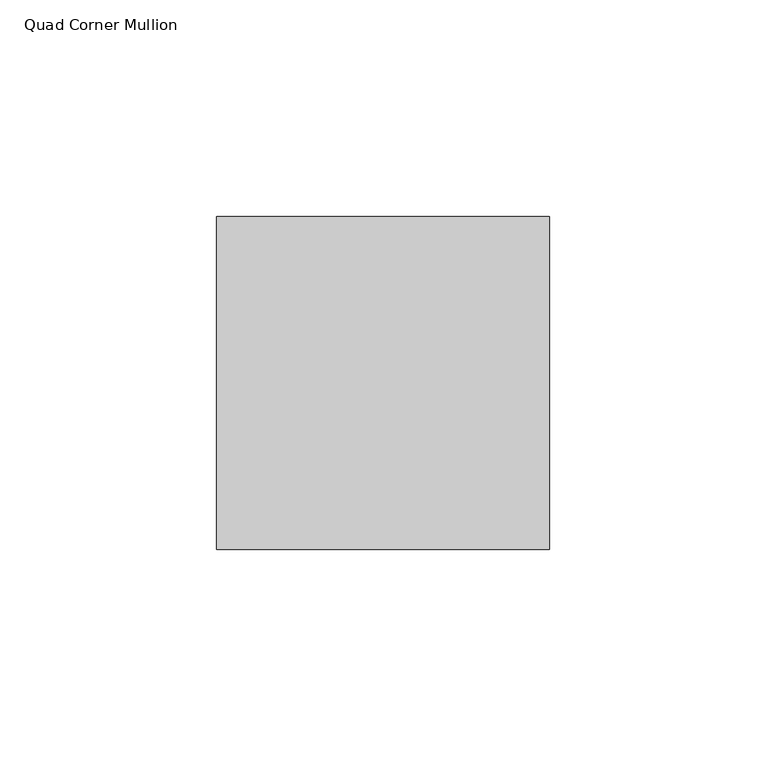
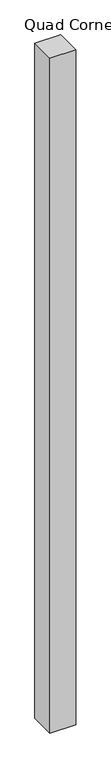
"""IFC4 building model written with IfcOpenShell, lengths in millimetres: member geometry, Quad Corner Mullion."""

from ifc_helpers import new_model, si_unit, frame, origin, place, context, project, spatial, polyline, outline, extrude, source, transform, mapped, element, save


def quad_corner_mullion_315e4fb1(model_context):
    return source(origin(), model_context, "Body", "SweptSolid", [
        extrude(outline(polyline([(38.1496094, -38.5464844), (-38.5464844, -38.5464844), (-38.5464844, 38.1496094), (38.1496094, 38.1496094), (38.1496094, -38.5464844)])), frame((0.0, 0.0, -2111.4763988), z_axis=(0.0, 0.0, 1.0), x_axis=(1.0, 0.0, 0.0)), (0.0, 0.0, 1.0), 2111.4763988),
    ])


if __name__ == "__main__":
    model = new_model("IFC4")
    model_context = context("Model", 3, world=origin())
    ifc_project = project(units=[si_unit("LENGTHUNIT", "METRE", prefix="MILLI")], contexts=[model_context])
    site = spatial("IfcSite", under=ifc_project)
    building = spatial("IfcBuilding", under=site)
    placement = place(None, origin())
    quad_corner_mullion_shape = quad_corner_mullion_315e4fb1(model_context)
    element("IfcMember", 1, ObjectType="Quad Corner Mullion", at=placement, inside=building, context=model_context, shape_type="MappedRepresentation", body=[
        mapped(quad_corner_mullion_shape, transform((0.0, 0.0, 0.0), x_axis=(1.0, 0.0, 0.0), y_axis=(0.0, 1.0, 0.0), z_axis=(0.0, 0.0, 1.0))),
    ])
    save(model, "model.ifc")
